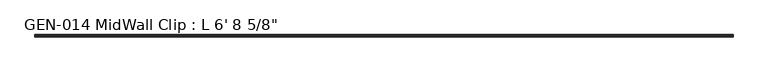
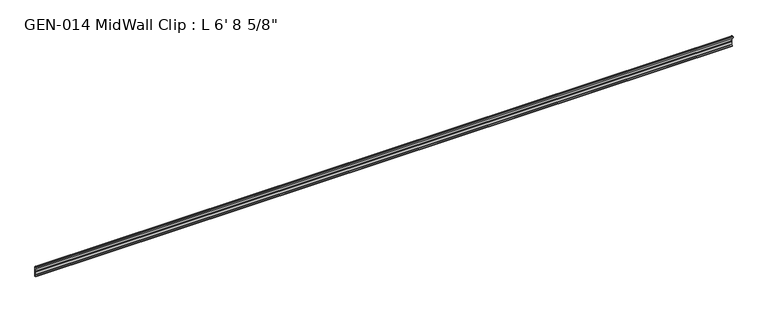
"""IFC4 building model written with IfcOpenShell, lengths in millimetres: proxy geometry."""

import ifcopenshell
import ifcopenshell.guid

model = None  # the IFC model being written
_history = None  # IfcOwnerHistory: only IFC2X3 demands one
_inside = {}  # id of a spatial element -> (the spatial element, [elements in it])
_under = {}  # id of a project, library or spatial element -> (it, [spatial elements below it])
_declared = {}  # id of a project -> (the project, [libraries it declares])
_typed = {}  # id of a type object -> (the type object, [elements of that type])
_made_of = {}  # id of a material, layer set ... -> (it, [elements and type objects made of it])


def new_model(schema):
    """Start an empty IFC model of exactly this schema.

    Asked for "IFC4X3", IfcOpenShell would pick the latest addendum, in which some entities
    have other attributes; the version numbers below select the first issue.
    IFC2X3 requires an IfcOwnerHistory on every rooted entity: one is made here for all.
    """
    global model, _history
    if schema == "IFC4X3":
        model = ifcopenshell.file(schema_version=(4, 3, 0, 0))
    else:
        model = ifcopenshell.file(schema=schema)
    _inside.clear()
    _under.clear()
    _declared.clear()
    _typed.clear()
    _made_of.clear()
    _history = None
    if model.schema == "IFC2X3":
        org = make("IfcOrganization", Name="unknown")
        user = make(
            "IfcPersonAndOrganization",
            ThePerson=make("IfcPerson", FamilyName="unknown"),
            TheOrganization=org,
        )
        app = make(
            "IfcApplication",
            ApplicationDeveloper=org,
            Version="unknown",
            ApplicationFullName="unknown",
            ApplicationIdentifier="unknown",
        )
        _history = make(
            "IfcOwnerHistory",
            OwningUser=user,
            OwningApplication=app,
            ChangeAction="ADDED",
            CreationDate=0,
        )
    return model


def make(cls, **values):
    """One entity of the class cls with the attributes given. An attribute that is None is left unset."""
    return model.create_entity(
        cls, **{name: value for name, value in values.items() if value is not None}
    )


def rooted(cls, **values):
    """An entity with a GlobalId (a new one), such as an element, a storey or a relation."""
    return make(cls, GlobalId=ifcopenshell.guid.new(), OwnerHistory=_history, **values)


def si_unit(unit_type, name, prefix=None):
    """IfcSIUnit, for example si_unit("LENGTHUNIT", "METRE", prefix="MILLI")."""
    return make("IfcSIUnit", UnitType=unit_type, Prefix=prefix, Name=name)


def assignment(units):
    """IfcUnitAssignment: the units of a project."""
    return None if units is None else make("IfcUnitAssignment", Units=units)


def point(xyz):
    """IfcCartesianPoint."""
    return None if xyz is None else make("IfcCartesianPoint", Coordinates=xyz)


def direction(xyz):
    """IfcDirection."""
    return None if xyz is None else make("IfcDirection", DirectionRatios=xyz)


def frame(location, z_axis=None, x_axis=None):
    """IfcAxis2Placement3D, a coordinate frame: its origin and axes. An axis left out is left unset."""
    return make(
        "IfcAxis2Placement3D",
        Location=point(location),
        Axis=direction(z_axis),
        RefDirection=direction(x_axis),
    )


def frame_2d(location, x_axis=None):
    """IfcAxis2Placement2D, a coordinate frame in the plane: its origin and x axis."""
    return make(
        "IfcAxis2Placement2D", Location=point(location), RefDirection=direction(x_axis)
    )


def origin():
    """The frame at (0, 0, 0) with its axes left unset."""
    return frame((0.0, 0.0, 0.0))


def place(relative_to, where):
    """IfcLocalPlacement: puts the frame where relative to a parent placement (None: the world)."""
    return make(
        "IfcLocalPlacement", PlacementRelTo=relative_to, RelativePlacement=where
    )


def context(
    kind, dimensions, precision=None, world=None, true_north=None, identifier=None
):
    """IfcGeometricRepresentationContext, for example the 3D "Model" context."""
    return make(
        "IfcGeometricRepresentationContext",
        ContextIdentifier=identifier,
        ContextType=kind,
        CoordinateSpaceDimension=dimensions,
        Precision=precision,
        WorldCoordinateSystem=world,
        TrueNorth=true_north,
    )


def project(units=None, contexts=None):
    """IfcProject with its units and contexts."""
    return rooted(
        "IfcProject",
        Name="project",
        RepresentationContexts=contexts,
        UnitsInContext=assignment(units),
    )


def spatial(cls, under=None, at=None, **own):
    """A site, building, storey or space (cls), placed at a placement, below another one or the project."""
    s = rooted(cls, ObjectPlacement=at, **own)
    if under is not None:
        _under.setdefault(under.id(), (under, []))[1].append(s)
    return s


def polyline(points):
    """IfcPolyline through the points."""
    return make("IfcPolyline", Points=[point(p) for p in points])


def circle_curve(where, radius):
    """IfcCircle in the frame where."""
    return make("IfcCircle", Position=where, Radius=radius)


def trimmed(basis, trim1, trim2, sense, master):
    """IfcTrimmedCurve: the piece of a basis curve between two trims."""
    return make(
        "IfcTrimmedCurve",
        BasisCurve=basis,
        Trim1=trim1,
        Trim2=trim2,
        SenseAgreement=sense,
        MasterRepresentation=master,
    )


def segment(curve, same_sense, transition):
    """IfcCompositeCurveSegment."""
    return make(
        "IfcCompositeCurveSegment",
        Transition=transition,
        SameSense=same_sense,
        ParentCurve=curve,
    )


def composite_curve(segments, self_intersect=None):
    """IfcCompositeCurve: segments joined end to end."""
    return make("IfcCompositeCurve", Segments=segments, SelfIntersect=self_intersect)


def outline(outer, holes=None, kind="AREA"):
    """IfcArbitraryClosedProfileDef: a profile drawn as a closed curve; with holes, ...WithVoids."""
    if holes is None:
        return make("IfcArbitraryClosedProfileDef", ProfileType=kind, OuterCurve=outer)
    return make(
        "IfcArbitraryProfileDefWithVoids",
        ProfileType=kind,
        OuterCurve=outer,
        InnerCurves=holes,
    )


def extrude(swept, where, along, depth):
    """IfcExtrudedAreaSolid: the profile swept, set in the frame where, extruded along a direction by depth."""
    return make(
        "IfcExtrudedAreaSolid",
        SweptArea=swept,
        Position=where,
        ExtrudedDirection=direction(along),
        Depth=depth,
    )


def shape(context_of_items, identifier, shape_type, items):
    """IfcShapeRepresentation: the items that make up one representation, for example the "Body"."""
    return make(
        "IfcShapeRepresentation",
        ContextOfItems=context_of_items,
        RepresentationIdentifier=identifier,
        RepresentationType=shape_type,
        Items=items,
    )


def source(mapping_origin, context_of_items, identifier, shape_type, items):
    """IfcRepresentationMap: a shape defined once, which mapped items show again and again."""
    return make(
        "IfcRepresentationMap",
        MappingOrigin=mapping_origin,
        MappedRepresentation=shape(context_of_items, identifier, shape_type, items),
    )


def transform(
    local_origin,
    x_axis=None,
    y_axis=None,
    z_axis=None,
    scale=None,
    scale2=None,
    scale3=None,
    uniform=True,
):
    """IfcCartesianTransformationOperator3D, or its non-uniform kind. x_axis, y_axis, z_axis: its Axis1, 2, 3."""
    if uniform:
        return make(
            "IfcCartesianTransformationOperator3D",
            Axis1=direction(x_axis),
            Axis2=direction(y_axis),
            LocalOrigin=point(local_origin),
            Scale=scale,
            Axis3=direction(z_axis),
        )
    return make(
        "IfcCartesianTransformationOperator3DnonUniform",
        Axis1=direction(x_axis),
        Axis2=direction(y_axis),
        LocalOrigin=point(local_origin),
        Scale=scale,
        Axis3=direction(z_axis),
        Scale2=scale2,
        Scale3=scale3,
    )


def mapped(mapping_source, mapping_target):
    """IfcMappedItem: shows the shape of a source again, moved by a transform."""
    return make(
        "IfcMappedItem", MappingSource=mapping_source, MappingTarget=mapping_target
    )


def made_of(thing, what):
    """Note that an element or type object is made of a material, layer set ...; save() writes the relation."""
    if what is not None:
        _made_of.setdefault(what.id(), (what, []))[1].append(thing)
    return thing


def element(
    cls,
    number,
    at=None,
    inside=None,
    cuts=None,
    type_object=None,
    material=None,
    context=None,
    identifier="Body",
    shape_type=None,
    held_by="IfcProductDefinitionShape",
    body=None,
    shapes=None,
    **own,
):
    """One element of the class cls, such as IfcWall. Its Tag is "e" and its number.

    at: its placement. inside: the storey or other place that contains it. cuts: it is an
    opening in that element (IfcRelVoidsElement). A single representation is given by context,
    identifier, shape_type and body (its items); several are given by shapes. held_by: the class
    of the entity that holds the representations. save() writes the other relations.
    """
    e = rooted(cls, Tag="e%d" % number, ObjectPlacement=at, **own)
    if body is not None:
        shapes = [shape(context, identifier, shape_type, body)]
    if shapes is not None:
        e.Representation = make(held_by, Representations=shapes)
    if inside is not None:
        _inside.setdefault(inside.id(), (inside, []))[1].append(e)
    if cuts is not None:
        rooted(
            "IfcRelVoidsElement", RelatingBuildingElement=cuts, RelatedOpeningElement=e
        )
    if type_object is not None:
        _typed.setdefault(type_object.id(), (type_object, []))[1].append(e)
    return made_of(e, material)


def aggregate(whole, parts):
    """IfcRelAggregates: a whole, such as a stair, and the parts it consists of."""
    return rooted("IfcRelAggregates", RelatingObject=whole, RelatedObjects=parts)


def save(model, path):
    """Write the relations noted so far, then the file.

    IfcRelAggregates (storeys below a building ...), IfcRelContainedInSpatialStructure (elements
    in a storey), IfcRelDefinesByType, IfcRelAssociatesMaterial and IfcRelDeclares: one each for
    every whole, place, type object, material and project.
    """
    for whole, parts in _under.values():
        aggregate(whole, parts)
    for where, things in _inside.values():
        rooted(
            "IfcRelContainedInSpatialStructure",
            RelatedElements=things,
            RelatingStructure=where,
        )
    for kind, things in _typed.values():
        rooted("IfcRelDefinesByType", RelatedObjects=things, RelatingType=kind)
    for what, things in _made_of.values():
        rooted("IfcRelAssociatesMaterial", RelatedObjects=things, RelatingMaterial=what)
    for by, libraries in _declared.values():
        rooted("IfcRelDeclares", RelatingContext=by, RelatedDefinitions=libraries)
    model.write(path)


def proxy_9f102ffc(model_context):
    return source(origin(), model_context, "Body", "SweptSolid", [
        extrude(outline(composite_curve([segment(polyline([(2.1386113, 32.1158903), (3.9735584, 32.6885982)]), True, "CONTINUOUS"), segment(trimmed(circle_curve(frame_2d((4.1838513, 32.2686835)), 0.4696291), [point((3.9735584, 32.6885982))], [point((4.6534804, 32.2686835))], False, "CARTESIAN"), True, "CONTINUOUS"), segment(polyline([(4.6534804, 32.2686835), (4.6534804, 30.7270734)]), True, "CONTINUOUS"), segment(trimmed(circle_curve(frame_2d((6.2409804, 30.7270734)), 1.5875), [point((4.6534804, 30.7270734))], [point((6.2409804, 29.1395734))], True, "CARTESIAN"), True, "CONTINUOUS"), segment(polyline([(6.2409804, 29.1395734), (7.5485426, 29.1395734), (7.5485426, 0.0), (4.055874, 0.0), (4.055874, 1.6102595)]), True, "CONTINUOUS"), segment(trimmed(circle_curve(frame_2d((4.0560426, 3.5152595)), 1.905), [point((4.055874, 1.6102595))], [point((5.9610426, 3.5152595))], True, "CARTESIAN"), True, "CONTINUOUS"), segment(polyline([(5.9610426, 3.5152595), (5.9610426, 4.6343152), (5.9610426, 12.4909614), (6.4702065, 13.408381), (6.4702065, 14.7485418), (5.9610426, 15.6659614), (5.9610426, 26.8535734)]), True, "CONTINUOUS"), segment(trimmed(circle_curve(frame_2d((5.4530426, 26.8535734)), 0.508), [point((5.9610426, 26.8535734))], [point((5.4361592, 27.3612928))], True, "CARTESIAN"), True, "CONTINUOUS"), segment(trimmed(circle_curve(frame_2d((5.4154804, 26.5995734)), 0.762), [point((5.4361592, 27.3612928))], [point((4.6764599, 26.4138515))], True, "CARTESIAN"), True, "CONTINUOUS"), segment(trimmed(circle_curve(frame_2d((4.1230664, 26.2747792)), 0.5706009), [point((4.6764599, 26.4138515))], [point((3.9349539, 25.7360779))], False, "CARTESIAN"), True, "CONTINUOUS"), segment(polyline([(3.9349539, 25.7360779), (2.1386113, 26.2967369)]), True, "CONTINUOUS"), segment(trimmed(circle_curve(frame_2d((3.0467234, 29.2063136)), 3.048), [point((2.1386113, 26.2967369))], [point((0.4447727, 30.7938136))], False, "CARTESIAN"), True, "CONTINUOUS"), segment(trimmed(circle_curve(frame_2d((3.0467234, 29.2063136)), 3.048), [point((0.4447727, 30.7938136))], [point((2.1386113, 32.1158903))], False, "CARTESIAN"), True, "CONTINUOUS")], self_intersect=False)), frame((-1743.075, 0.0, 0.0), z_axis=(1.0, 0.0, 0.0), x_axis=(0.0, 1.0, 0.0)), (0.0, 0.0, 1.0), 2047.875),
    ])


if __name__ == "__main__":
    model = new_model("IFC4")
    model_context = context("Model", 3, world=origin())
    ifc_project = project(units=[si_unit("LENGTHUNIT", "METRE", prefix="MILLI")], contexts=[model_context])
    site = spatial("IfcSite", under=ifc_project)
    building = spatial("IfcBuilding", under=site)
    placement = place(None, origin())
    proxy_shape = proxy_9f102ffc(model_context)
    element("IfcBuildingElementProxy", 1, Name="GEN-014 MidWall Clip : L 6' 8 5/8\"", ObjectType="GEN-014 MidWall Clip : L 6' 8 5/8\"", at=placement, inside=building, context=model_context, shape_type="MappedRepresentation", body=[
        mapped(proxy_shape, transform((0.0, 0.0, 0.0), x_axis=(1.0, 0.0, 0.0), y_axis=(0.0, 1.0, 0.0), z_axis=(0.0, 0.0, 1.0))),
    ])
    save(model, "model.ifc")
